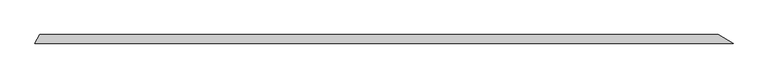
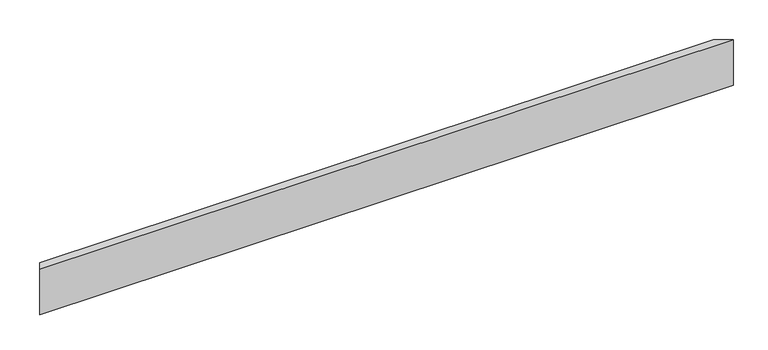
"""IFC4 building model written with IfcOpenShell, lengths in millimetres: beam geometry."""

from ifc_helpers import new_model, si_unit, frame, origin, place, context, project, spatial, polyline, outline, extrude, source, transform, mapped, element, save


def beam_0f1d6cd5(model_context):
    return source(origin(), model_context, "Body", "SweptSolid", [
        extrude(outline(polyline([(1450.3953836, -18.0), (-1450.3953836, -18.0), (-1429.6107739, 18.0), (1388.0415545, 18.0), (1450.3953836, -18.0)])), frame((0.0, 0.0, -100.0), z_axis=(0.0, 0.0, 1.0), x_axis=(1.0, 0.0, 0.0)), (0.0, 0.0, 1.0), 200.0),
    ])


if __name__ == "__main__":
    model = new_model("IFC4")
    model_context = context("Model", 3, world=origin())
    ifc_project = project(units=[si_unit("LENGTHUNIT", "METRE", prefix="MILLI")], contexts=[model_context])
    site = spatial("IfcSite", under=ifc_project)
    building = spatial("IfcBuilding", under=site)
    placement = place(None, origin())
    beam_shape = beam_0f1d6cd5(model_context)
    element("IfcBeam", 1, at=placement, inside=building, context=model_context, shape_type="MappedRepresentation", body=[
        mapped(beam_shape, transform((0.0, 0.0, 0.0), x_axis=(1.0, 0.0, 0.0), y_axis=(0.0, 1.0, 0.0), z_axis=(0.0, 0.0, 1.0))),
    ])
    save(model, "model.ifc")
